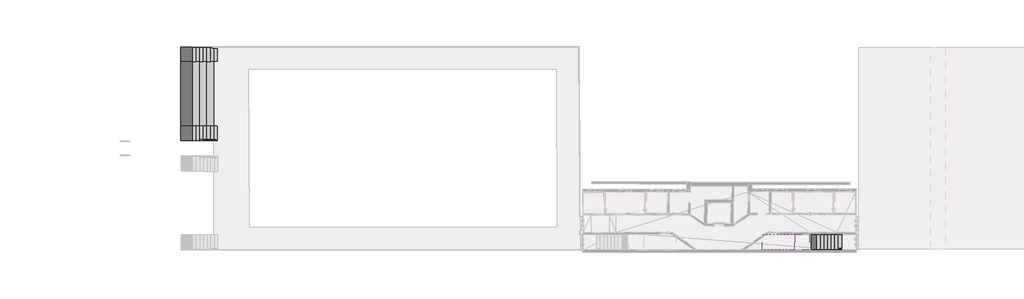
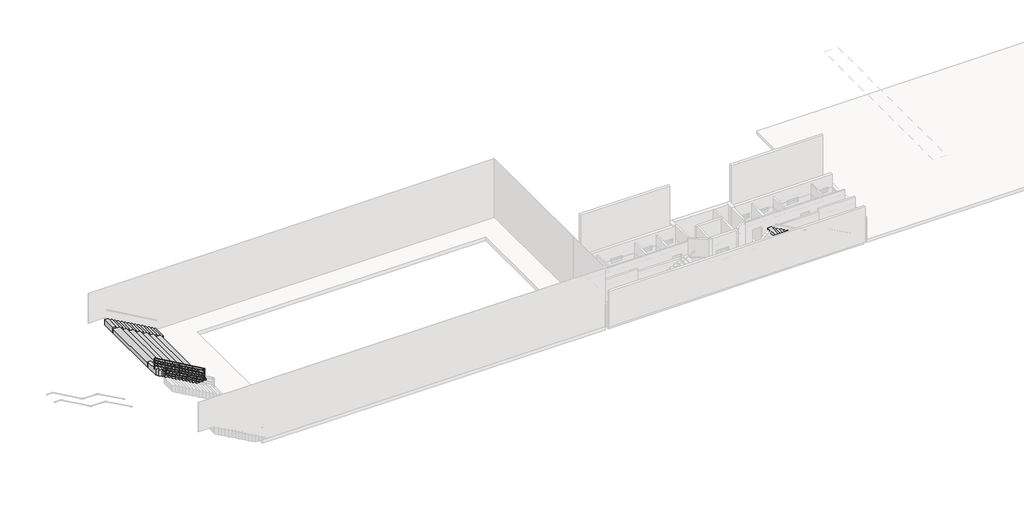
# One storey, part 4 of 6: 5 stair flights, 1 railing, 1 slab.
"""IFC4 building model written with IfcOpenShell, lengths in millimetres."""

from ifc_helpers import new_model, si_unit, frame, origin, place, context, project, spatial, circle_curve, ellipse_curve, faceted_brep, element, save
from ifc_brep_helpers import plane_surface, cylinder_surface, advanced_brep

model = new_model("IFC4")

# Units and contexts
model_context = context("Model", 3, world=origin())
ifc_project = project(units=[si_unit("LENGTHUNIT", "METRE", prefix="MILLI")], contexts=[model_context])

# Site, building, storey
site = spatial("IfcSite", under=ifc_project)
building = spatial("IfcBuilding", under=site)
storey = spatial("IfcBuildingStorey", under=building, Elevation=-9747.0673671)

# Railing
placement = place(None, origin())
element("IfcRailing", 1, at=placement, inside=storey, context=model_context, shape_type="AdvancedBrep", body=[
    advanced_brep(
    [(-42016.8289315, -31459.4277158, -8646.7812797), (-42017.1659378, -31499.4262961, -8646.7812797), (-46394.6493128, -31422.5425901, -6170.0), (-46394.986319, -31462.5411704, -6170.0), (-46467.6011319, -31421.9279379, -6170.0), (-46467.9381381, -31461.9265182, -6170.0)],
    [
        (0, 1, ellipse_curve(frame((-42016.9974346, -31479.427006, -8646.7812797), z_axis=(0.9999645077492113, -0.008425155302877114, 0.0), x_axis=(0.0, 0.0, -1.0)), 22.9787549, 20.0)),
        (1, 0, ellipse_curve(frame((-42016.9974346, -31479.427006, -8646.7812797), z_axis=(0.9999645077492113, -0.008425155302877114, 0.0), x_axis=(0.0, 0.0, -1.0)), 22.9787549, 20.0)),
        (0, 2),
        (2, 3, ellipse_curve(frame((-46394.8178159, -31442.5418803, -6170.0), z_axis=(0.9670151014632606, -0.008147541584651485, -0.2545887097027794), x_axis=(-0.2545796737764464, 0.0021449494176308784, -0.9670494242239503)), 20.6814662, 20.0)),
        (3, 1),
        (3, 2, ellipse_curve(frame((-46394.8178159, -31442.5418803, -6170.0), z_axis=(0.9670151014632606, -0.008147541584651485, -0.2545887097027794), x_axis=(-0.2545796737764464, 0.0021449494176308784, -0.9670494242239503)), 20.6814662, 20.0)),
        (4, 5, circle_curve(frame((-46467.769635, -31441.927228, -6170.0), z_axis=(-0.9999645077492112, 0.008425155302890286, 0.0), x_axis=(-0.008425155302890286, -0.9999645077492112, 0.0)), 20.0)),
        (5, 4, circle_curve(frame((-46467.769635, -31441.927228, -6170.0), z_axis=(-0.9999645077492112, 0.008425155302890286, 0.0), x_axis=(-0.008425155302890286, -0.9999645077492112, 0.0)), 20.0)),
        (2, 4),
        (5, 3),
    ],
    [
        plane_surface(frame((-42016.9974346, -31479.427006, -8646.7812797), z_axis=(0.9999645077492113, -0.008425155302877114, 0.0), x_axis=(0.008425155302877114, 0.9999645077492113, 0.0))),
        cylinder_surface(frame((-42016.9974346, -31479.427006, -8646.7812797), z_axis=(0.870338286422611, -0.007332995493665536, -0.49239973026398287), x_axis=(-0.008425155302877114, -0.9999645077492113, 0.0)), 20.0),
        plane_surface(frame((-46467.769635, -31441.927228, -6170.0), z_axis=(-0.9999645077492112, 0.008425155302890284, 0.0), x_axis=(0.008425155302890284, 0.9999645077492112, 0.0))),
        cylinder_surface(frame((-46394.8178159, -31442.5418803, -6170.0), z_axis=(0.9999645077492112, -0.008425155302890286, 0.0), x_axis=(-0.008425155302890286, -0.9999645077492112, 0.0)), 20.0),
    ],
    [
        (0, [[1, 2]]),
        (1, [[-1, 3, 4, 5]]),
        (1, [[-2, -5, 6, -3]]),
        (2, [[7, 8]]),
        (3, [[-4, 9, -8, 10]]),
        (3, [[-6, -10, -7, -9]]),
    ],
),
    advanced_brep(
    [(-42016.8289315, -31459.4277158, -8846.7812797), (-42017.1659378, -31499.4262961, -8846.7812797), (-46394.6493128, -31422.5425901, -6370.0), (-46394.986319, -31462.5411704, -6370.0), (-46467.6011319, -31421.9279379, -6370.0), (-46467.9381381, -31461.9265182, -6370.0)],
    [
        (0, 1, ellipse_curve(frame((-42016.9974346, -31479.427006, -8846.7812797), z_axis=(0.9999645077492113, -0.008425155302877114, 0.0), x_axis=(0.0, 0.0, -1.0)), 22.9787549, 20.0)),
        (1, 0, ellipse_curve(frame((-42016.9974346, -31479.427006, -8846.7812797), z_axis=(0.9999645077492113, -0.008425155302877114, 0.0), x_axis=(0.0, 0.0, -1.0)), 22.9787549, 20.0)),
        (0, 2),
        (2, 3, ellipse_curve(frame((-46394.8178159, -31442.5418803, -6370.0), z_axis=(0.9670151014632606, -0.008147541584651485, -0.2545887097027794), x_axis=(-0.2545796737764464, 0.0021449494176308784, -0.9670494242239503)), 20.6814662, 20.0)),
        (3, 1),
        (3, 2, ellipse_curve(frame((-46394.8178159, -31442.5418803, -6370.0), z_axis=(0.9670151014632606, -0.008147541584651485, -0.2545887097027794), x_axis=(-0.2545796737764464, 0.0021449494176308784, -0.9670494242239503)), 20.6814662, 20.0)),
        (4, 5, circle_curve(frame((-46467.769635, -31441.927228, -6370.0), z_axis=(-0.9999645077492112, 0.008425155302890286, 0.0), x_axis=(-0.008425155302890286, -0.9999645077492112, 0.0)), 20.0)),
        (5, 4, circle_curve(frame((-46467.769635, -31441.927228, -6370.0), z_axis=(-0.9999645077492112, 0.008425155302890286, 0.0), x_axis=(-0.008425155302890286, -0.9999645077492112, 0.0)), 20.0)),
        (2, 4),
        (5, 3),
    ],
    [
        plane_surface(frame((-42016.9974346, -31479.427006, -8846.7812797), z_axis=(0.9999645077492113, -0.008425155302877114, 0.0), x_axis=(0.008425155302877114, 0.9999645077492113, 0.0))),
        cylinder_surface(frame((-42016.9974346, -31479.427006, -8846.7812797), z_axis=(0.870338286422611, -0.007332995493665536, -0.49239973026398287), x_axis=(-0.008425155302877114, -0.9999645077492113, 0.0)), 20.0),
        plane_surface(frame((-46467.769635, -31441.927228, -6370.0), z_axis=(-0.9999645077492112, 0.008425155302890284, 0.0), x_axis=(0.008425155302890284, 0.9999645077492112, 0.0))),
        cylinder_surface(frame((-46394.8178159, -31442.5418803, -6370.0), z_axis=(0.9999645077492112, -0.008425155302890286, 0.0), x_axis=(-0.008425155302890286, -0.9999645077492112, 0.0)), 20.0),
    ],
    [
        (0, [[1, 2]]),
        (1, [[-1, 3, 4, 5]]),
        (1, [[-2, -5, 6, -3]]),
        (2, [[7, 8]]),
        (3, [[-4, 9, -8, 10]]),
        (3, [[-6, -10, -7, -9]]),
    ],
),
    advanced_brep(
    [(-42016.8289315, -31459.4277158, -9096.7812797), (-42017.1659378, -31499.4262961, -9096.7812797), (-46394.6493128, -31422.5425901, -6620.0), (-46394.986319, -31462.5411704, -6620.0), (-46467.6011319, -31421.9279379, -6620.0), (-46467.9381381, -31461.9265182, -6620.0)],
    [
        (0, 1, ellipse_curve(frame((-42016.9974346, -31479.427006, -9096.7812797), z_axis=(0.9999645077492113, -0.008425155302877114, 0.0), x_axis=(0.0, 0.0, -1.0)), 22.9787549, 20.0)),
        (1, 0, ellipse_curve(frame((-42016.9974346, -31479.427006, -9096.7812797), z_axis=(0.9999645077492113, -0.008425155302877114, 0.0), x_axis=(0.0, 0.0, -1.0)), 22.9787549, 20.0)),
        (0, 2),
        (2, 3, ellipse_curve(frame((-46394.8178159, -31442.5418803, -6620.0), z_axis=(0.9670151014632606, -0.008147541584651485, -0.2545887097027794), x_axis=(-0.2545796737764464, 0.0021449494176308784, -0.9670494242239503)), 20.6814662, 20.0)),
        (3, 1),
        (3, 2, ellipse_curve(frame((-46394.8178159, -31442.5418803, -6620.0), z_axis=(0.9670151014632606, -0.008147541584651485, -0.2545887097027794), x_axis=(-0.2545796737764464, 0.0021449494176308784, -0.9670494242239503)), 20.6814662, 20.0)),
        (4, 5, circle_curve(frame((-46467.769635, -31441.927228, -6620.0), z_axis=(-0.9999645077492112, 0.008425155302890286, 0.0), x_axis=(-0.008425155302890286, -0.9999645077492112, 0.0)), 20.0)),
        (5, 4, circle_curve(frame((-46467.769635, -31441.927228, -6620.0), z_axis=(-0.9999645077492112, 0.008425155302890286, 0.0), x_axis=(-0.008425155302890286, -0.9999645077492112, 0.0)), 20.0)),
        (2, 4),
        (5, 3),
    ],
    [
        plane_surface(frame((-42016.9974346, -31479.427006, -9096.7812797), z_axis=(0.9999645077492113, -0.008425155302877114, 0.0), x_axis=(0.008425155302877114, 0.9999645077492113, 0.0))),
        cylinder_surface(frame((-42016.9974346, -31479.427006, -9096.7812797), z_axis=(0.870338286422611, -0.007332995493665536, -0.49239973026398287), x_axis=(-0.008425155302877114, -0.9999645077492113, 0.0)), 20.0),
        plane_surface(frame((-46467.769635, -31441.927228, -6620.0), z_axis=(-0.9999645077492112, 0.008425155302890284, 0.0), x_axis=(0.008425155302890284, 0.9999645077492112, 0.0))),
        cylinder_surface(frame((-46394.8178159, -31442.5418803, -6620.0), z_axis=(0.9999645077492112, -0.008425155302890286, 0.0), x_axis=(-0.008425155302890286, -0.9999645077492112, 0.0)), 20.0),
    ],
    [
        (0, [[1, 2]]),
        (1, [[-1, 3, 4, 5]]),
        (1, [[-2, -5, 6, -3]]),
        (2, [[7, 8]]),
        (3, [[-4, 9, -8, 10]]),
        (3, [[-6, -10, -7, -9]]),
    ],
),
    advanced_brep(
    [(-42016.8289315, -31459.4277158, -9316.7812797), (-42017.1659378, -31499.4262961, -9316.7812797), (-46394.6493128, -31422.5425901, -6840.0), (-46394.986319, -31462.5411704, -6840.0), (-46467.6011319, -31421.9279379, -6840.0), (-46467.9381381, -31461.9265182, -6840.0)],
    [
        (0, 1, ellipse_curve(frame((-42016.9974346, -31479.427006, -9316.7812797), z_axis=(0.9999645077492113, -0.008425155302877114, 0.0), x_axis=(0.0, 0.0, -1.0)), 22.9787549, 20.0)),
        (1, 0, ellipse_curve(frame((-42016.9974346, -31479.427006, -9316.7812797), z_axis=(0.9999645077492113, -0.008425155302877114, 0.0), x_axis=(0.0, 0.0, -1.0)), 22.9787549, 20.0)),
        (0, 2),
        (2, 3, ellipse_curve(frame((-46394.8178159, -31442.5418803, -6840.0), z_axis=(0.9670151014632606, -0.008147541584651485, -0.2545887097027794), x_axis=(-0.2545796737764464, 0.0021449494176308784, -0.9670494242239503)), 20.6814662, 20.0)),
        (3, 1),
        (3, 2, ellipse_curve(frame((-46394.8178159, -31442.5418803, -6840.0), z_axis=(0.9670151014632606, -0.008147541584651485, -0.2545887097027794), x_axis=(-0.2545796737764464, 0.0021449494176308784, -0.9670494242239503)), 20.6814662, 20.0)),
        (4, 5, circle_curve(frame((-46467.769635, -31441.927228, -6840.0), z_axis=(-0.9999645077492112, 0.008425155302890286, 0.0), x_axis=(-0.008425155302890286, -0.9999645077492112, 0.0)), 20.0)),
        (5, 4, circle_curve(frame((-46467.769635, -31441.927228, -6840.0), z_axis=(-0.9999645077492112, 0.008425155302890286, 0.0), x_axis=(-0.008425155302890286, -0.9999645077492112, 0.0)), 20.0)),
        (2, 4),
        (5, 3),
    ],
    [
        plane_surface(frame((-42016.9974346, -31479.427006, -9316.7812797), z_axis=(0.9999645077492113, -0.008425155302877114, 0.0), x_axis=(0.008425155302877114, 0.9999645077492113, 0.0))),
        cylinder_surface(frame((-42016.9974346, -31479.427006, -9316.7812797), z_axis=(0.870338286422611, -0.007332995493665536, -0.49239973026398287), x_axis=(-0.008425155302877114, -0.9999645077492113, 0.0)), 20.0),
        plane_surface(frame((-46467.769635, -31441.927228, -6840.0), z_axis=(-0.9999645077492112, 0.008425155302890284, 0.0), x_axis=(0.008425155302890284, 0.9999645077492112, 0.0))),
        cylinder_surface(frame((-46394.8178159, -31442.5418803, -6840.0), z_axis=(0.9999645077492112, -0.008425155302890286, 0.0), x_axis=(-0.008425155302890286, -0.9999645077492112, 0.0)), 20.0),
    ],
    [
        (0, [[1, 2]]),
        (1, [[-1, 3, 4, 5]]),
        (1, [[-2, -5, 6, -3]]),
        (2, [[7, 8]]),
        (3, [[-4, 9, -8, 10]]),
        (3, [[-6, -10, -7, -9]]),
    ],
),
    advanced_brep(
    [(-44242.5519754, -31480.6689856, -7410.732904), (-44262.3754034, -31460.5086764, -7399.4223701), (-44242.2150943, -31440.6852485, -7410.732904), (-44242.2150943, -31440.6852485, -8483.5336835), (-44262.3754034, -31460.5086764, -8483.5336835), (-44242.5519754, -31480.6689856, -8483.5336835), (-44222.3916663, -31460.8455576, -8483.5336835), (-44222.3916663, -31460.8455576, -7422.0434379)],
    [
        (0, 1, ellipse_curve(frame((-44242.3835348, -31460.677117, -7410.732904), z_axis=(-0.4923822538892644, 0.004148544198568736, -0.8703691777837497), x_axis=(-0.870338286422613, 0.007332995493665393, 0.49239973026397926)), 22.9702276, 19.9925781)),
        (1, 2, ellipse_curve(frame((-44242.3835348, -31460.677117, -7410.732904), z_axis=(-0.4923822538892644, 0.004148544198568736, -0.8703691777837497), x_axis=(-0.870338286422613, 0.007332995493665393, 0.49239973026397926)), 22.9702276, 19.9925781)),
        (2, 3),
        (3, 4, circle_curve(frame((-44242.3835348, -31460.677117, -8483.5336835), z_axis=(0.0, 0.0, 1.0), x_axis=(0.008425155302876932, 0.9999645077492113, 0.0)), 19.9925781)),
        (4, 5, circle_curve(frame((-44242.3835348, -31460.677117, -8483.5336835), z_axis=(0.0, 0.0, 1.0), x_axis=(0.008425155302876932, 0.9999645077492113, 0.0)), 19.9925781)),
        (5, 0),
        (5, 6, circle_curve(frame((-44242.3835348, -31460.677117, -8483.5336835), z_axis=(0.0, 0.0, 1.0), x_axis=(0.008425155302876932, 0.9999645077492113, 0.0)), 19.9925781)),
        (6, 3, circle_curve(frame((-44242.3835348, -31460.677117, -8483.5336835), z_axis=(0.0, 0.0, 1.0), x_axis=(0.008425155302876932, 0.9999645077492113, 0.0)), 19.9925781)),
        (2, 7, ellipse_curve(frame((-44242.3835348, -31460.677117, -7410.732904), z_axis=(-0.4923822538892644, 0.004148544198568736, -0.8703691777837497), x_axis=(-0.870338286422613, 0.007332995493665393, 0.49239973026397926)), 22.9702276, 19.9925781)),
        (7, 0, ellipse_curve(frame((-44242.3835348, -31460.677117, -7410.732904), z_axis=(-0.4923822538892644, 0.004148544198568736, -0.8703691777837497), x_axis=(-0.870338286422613, 0.007332995493665393, 0.49239973026397926)), 22.9702276, 19.9925781)),
    ],
    [
        cylinder_surface(frame((-44242.3835348, -31460.677117, -8712.1336835), z_axis=(0.0, 0.0, 1.0), x_axis=(0.008425155302876932, 0.9999645077492113, 0.0)), 19.9925781),
        plane_surface(frame((-44262.2069628, -31440.5168079, -7399.4223701), z_axis=(0.4923822538892644, -0.004148544198568736, 0.8703691777837497), x_axis=(-0.008425155302876932, -0.9999645077492113, 0.0))),
        plane_surface(frame((-44222.2232257, -31440.853689, -8483.5336835), z_axis=(0.0, 0.0, -1.0), x_axis=(-0.008425155302876932, -0.9999645077492113, 0.0))),
    ],
    [
        (0, [[1, 2, 3, 4, 5, 6]]),
        (0, [[7, 8, -3, 9, 10, -6]]),
        (1, [[-10, -9, -2, -1]]),
        (2, [[-4, -8, -7, -5]]),
    ],
),
    advanced_brep(
    [(-46467.9380756, -31461.9190966, -6190.0), (-46487.7615036, -31441.7587875, -6190.0), (-46467.6011944, -31421.9353595, -6190.0), (-46467.6011944, -31421.9353595, -7120.0), (-46487.7615036, -31441.7587875, -7120.0), (-46467.9380756, -31461.9190966, -7120.0), (-46447.7777665, -31442.0956686, -7120.0), (-46447.7777665, -31442.0956686, -6190.0)],
    [
        (0, 1, circle_curve(frame((-46467.769635, -31441.927228, -6190.0), z_axis=(0.0, 0.0, -1.0), x_axis=(0.008425155302876932, 0.9999645077492113, 0.0)), 19.9925781)),
        (1, 2, circle_curve(frame((-46467.769635, -31441.927228, -6190.0), z_axis=(0.0, 0.0, -1.0), x_axis=(0.008425155302876932, 0.9999645077492113, 0.0)), 19.9925781)),
        (2, 3),
        (3, 4, circle_curve(frame((-46467.769635, -31441.927228, -7120.0), z_axis=(0.0, 0.0, 1.0), x_axis=(0.008425155302876932, 0.9999645077492113, 0.0)), 19.9925781)),
        (4, 5, circle_curve(frame((-46467.769635, -31441.927228, -7120.0), z_axis=(0.0, 0.0, 1.0), x_axis=(0.008425155302876932, 0.9999645077492113, 0.0)), 19.9925781)),
        (5, 0),
        (5, 6, circle_curve(frame((-46467.769635, -31441.927228, -7120.0), z_axis=(0.0, 0.0, 1.0), x_axis=(0.008425155302876932, 0.9999645077492113, 0.0)), 19.9925781)),
        (6, 3, circle_curve(frame((-46467.769635, -31441.927228, -7120.0), z_axis=(0.0, 0.0, 1.0), x_axis=(0.008425155302876932, 0.9999645077492113, 0.0)), 19.9925781)),
        (2, 7, circle_curve(frame((-46467.769635, -31441.927228, -6190.0), z_axis=(0.0, 0.0, -1.0), x_axis=(0.008425155302876932, 0.9999645077492113, 0.0)), 19.9925781)),
        (7, 0, circle_curve(frame((-46467.769635, -31441.927228, -6190.0), z_axis=(0.0, 0.0, -1.0), x_axis=(0.008425155302876932, 0.9999645077492113, 0.0)), 19.9925781)),
    ],
    [
        cylinder_surface(frame((-46467.769635, -31441.927228, -7348.6), z_axis=(0.0, 0.0, 1.0), x_axis=(0.008425155302876932, 0.9999645077492113, 0.0)), 19.9925781),
        plane_surface(frame((-46487.593063, -31421.7669189, -6190.0), z_axis=(0.0, 0.0, 1.0), x_axis=(-0.008425155302876932, -0.9999645077492113, 0.0))),
        plane_surface(frame((-46447.6093259, -31422.1038001, -7120.0), z_axis=(0.0, 0.0, -1.0), x_axis=(-0.008425155302876932, -0.9999645077492113, 0.0))),
    ],
    [
        (0, [[1, 2, 3, 4, 5, 6]]),
        (0, [[7, 8, -3, 9, 10, -6]]),
        (1, [[-10, -9, -2, -1]]),
        (2, [[-4, -8, -7, -5]]),
    ],
),
    advanced_brep(
    [(-42017.1658752, -31499.4188745, -8669.7600346), (-42036.9893032, -31479.2585654, -8658.4495008), (-42016.8289941, -31459.4351374, -8669.7600346), (-42016.8289941, -31459.4351374, -9676.6256566), (-42036.9893032, -31479.2585654, -9676.6256566), (-42017.1658752, -31499.4188745, -9676.6256566), (-41997.0055661, -31479.5954466, -9676.6256566), (-41997.0055661, -31479.5954466, -8681.0705685)],
    [
        (0, 1, ellipse_curve(frame((-42016.9974346, -31479.427006, -8669.7600346), z_axis=(-0.4923822538892667, 0.004148544198568755, -0.8703691777837484), x_axis=(-0.8703382864226117, 0.007332995493665382, 0.4923997302639814)), 22.9702276, 19.9925781)),
        (1, 2, ellipse_curve(frame((-42016.9974346, -31479.427006, -8669.7600346), z_axis=(-0.4923822538892667, 0.004148544198568755, -0.8703691777837484), x_axis=(-0.8703382864226117, 0.007332995493665382, 0.4923997302639814)), 22.9702276, 19.9925781)),
        (2, 3),
        (3, 4, circle_curve(frame((-42016.9974346, -31479.427006, -9676.6256566), z_axis=(0.0, 0.0, 1.0), x_axis=(0.008425155302876932, 0.9999645077492113, 0.0)), 19.9925781)),
        (4, 5, circle_curve(frame((-42016.9974346, -31479.427006, -9676.6256566), z_axis=(0.0, 0.0, 1.0), x_axis=(0.008425155302876932, 0.9999645077492113, 0.0)), 19.9925781)),
        (5, 0),
        (5, 6, circle_curve(frame((-42016.9974346, -31479.427006, -9676.6256566), z_axis=(0.0, 0.0, 1.0), x_axis=(0.008425155302876932, 0.9999645077492113, 0.0)), 19.9925781)),
        (6, 3, circle_curve(frame((-42016.9974346, -31479.427006, -9676.6256566), z_axis=(0.0, 0.0, 1.0), x_axis=(0.008425155302876932, 0.9999645077492113, 0.0)), 19.9925781)),
        (2, 7, ellipse_curve(frame((-42016.9974346, -31479.427006, -8669.7600346), z_axis=(-0.4923822538892667, 0.004148544198568755, -0.8703691777837484), x_axis=(-0.8703382864226117, 0.007332995493665382, 0.4923997302639814)), 22.9702276, 19.9925781)),
        (7, 0, ellipse_curve(frame((-42016.9974346, -31479.427006, -8669.7600346), z_axis=(-0.4923822538892667, 0.004148544198568755, -0.8703691777837484), x_axis=(-0.8703382864226117, 0.007332995493665382, 0.4923997302639814)), 22.9702276, 19.9925781)),
    ],
    [
        cylinder_surface(frame((-42016.9974346, -31479.427006, -9905.2256566), z_axis=(0.0, 0.0, 1.0), x_axis=(0.008425155302876932, 0.9999645077492113, 0.0)), 19.9925781),
        plane_surface(frame((-42036.8208626, -31459.2666969, -8658.4495008), z_axis=(0.4923822538892667, -0.004148544198568755, 0.8703691777837484), x_axis=(-0.008425155302876932, -0.9999645077492113, 0.0))),
        plane_surface(frame((-41996.8371255, -31459.603578, -9676.6256566), z_axis=(0.0, 0.0, -1.0), x_axis=(-0.008425155302876932, -0.9999645077492113, 0.0))),
    ],
    [
        (0, [[1, 2, 3, 4, 5, 6]]),
        (0, [[7, 8, -3, 9, 10, -6]]),
        (1, [[-10, -9, -2, -1]]),
        (2, [[-4, -8, -7, -5]]),
    ],
),
])

# Slab
element("IfcSlab", 2, ObjectType="7\" Thickness", at=placement, inside=storey, context=model_context, shape_type="Brep", body=[
    faceted_brep([(7522.6606615, -40659.4297965, -8059.0336835), (7503.6106615, -40659.4297965, -8059.0336835), (7503.6106615, -39356.6543082, -8059.0336835), (7522.6606615, -39356.6543082, -8059.0336835), (7522.6606615, -39355.6050098, -8059.0336835), (6302.6606615, -39355.6050098, -8059.0336835), (6283.6106615, -39355.6050098, -8059.0336835), (6283.6106615, -40663.515591, -8059.0336835), (6302.6606615, -40663.515591, -8059.0336835), (7522.6606615, -40663.515591, -8059.0336835), (6302.6606615, -40663.515591, -8236.8336835), (7522.6606615, -40663.515591, -8236.8336835), (7111.8522755, -39356.6543082, -8236.8336835), (7111.8522755, -40659.4297965, -8236.8336835), (7503.6106615, -40659.4297965, -8236.8336835), (7522.6606615, -40659.4297965, -8236.8336835), (6283.6106615, -40663.515591, -8236.8336835), (6283.6106615, -39355.6050098, -8236.8336835), (6302.6606615, -39355.6050098, -8236.8336835), (7522.6606615, -39355.6050098, -8236.8336835), (7522.6606615, -39356.6543082, -8236.8336835), (7503.6106615, -39356.6543082, -8236.8336835), (7503.6106615, -39356.6543082, -8453.3498835), (7503.6106615, -40659.4297965, -8453.3498835), (7503.6106615, -40659.4297965, -8224.8370519), (7503.6106615, -39356.6543082, -8224.8370519)], [[[0, 1, 2, 3, 4, 5, 6, 7, 8, 9]], [[9, 8, 10, 11]], [[12, 13, 14, 15, 11, 10, 16, 17, 18, 19, 20, 21]], [[13, 12, 22, 23]], [[12, 21, 22]], [[14, 13, 23]], [[4, 3, 20, 19]], [[6, 5, 18, 17]], [[8, 7, 16, 10]], [[1, 0, 15, 14, 24]], [[2, 1, 24, 14, 23, 22, 21, 25]], [[3, 2, 25, 21, 20]], [[5, 4, 19, 18]], [[7, 6, 17, 16]], [[0, 9, 11, 15]]]),
])

# Stair flights
element("IfcStairFlight", 3, at=placement, inside=storey, context=model_context, shape_type="Brep", body=[
    faceted_brep([(-42196.6034837, -31527.9155181, -9576.6256566), (-41896.4736613, -31530.4442482, -9576.6256566), (-41896.4736613, -30308.583977, -9576.6256566), (-42196.6034837, -30307.1142729, -9576.6256566), (-42196.6034837, -31527.9155181, -9747.0673671), (-41896.4736613, -31530.4442482, -9747.0673671), (-41896.4736613, -30308.583977, -9747.0673671), (-42196.6034837, -30307.1142729, -9747.0673671), (-42492.7236613, -31525.4205711, -9406.1839462), (-42196.6034837, -31527.9155181, -9406.1839462), (-42196.6034837, -30307.1142729, -9406.1839462), (-42492.7236613, -30305.6642036, -9406.1839462), (-42492.7236613, -31525.4205711, -9747.0673671), (-42492.7236613, -30305.6642036, -9747.0673671), (-42804.1034837, -31522.7970546, -9235.7422357), (-42492.7236613, -31525.4205711, -9235.7422357), (-42492.7236613, -30305.6642036, -9235.7422357), (-42804.1034837, -30304.1394094, -9235.7422357), (-42804.1034837, -31522.7970546, -9747.0673671), (-42804.1034837, -30304.1394094, -9747.0673671), (-43091.4736613, -31520.3758303, -9065.3005253), (-42804.1034837, -31522.7970546, -9065.3005253), (-42804.1034837, -30304.1394094, -9065.3005253), (-43091.4736613, -30302.7321879, -9065.3005253), (-43091.4736613, -31520.3758303, -9587.8763654), (-42810.1671044, -31522.7459658, -9747.0673671), (-42810.1671044, -30304.1097165, -9747.0673671), (-43091.4736613, -30302.7321879, -9587.8763654), (-43402.7938569, -31517.7528162, -8894.8588149), (-43091.4736613, -31520.3758303, -8894.8588149), (-43091.4736613, -30302.7321879, -8894.8588149), (-43402.7938569, -30301.2076857, -8894.8588149), (-43402.7938569, -31517.7528162, -9411.7006861), (-43402.7938569, -30301.2076857, -9411.7006861), (-43693.9736613, -31515.299494, -8724.4171044), (-43402.7938569, -31517.7528162, -8724.4171044), (-43402.7938569, -30301.2076857, -8724.4171044), (-43693.9736613, -30299.7818089, -8724.4171044), (-43693.9736613, -31515.299494, -9246.9224269), (-43693.9736613, -30299.7818089, -9246.9224269), (-44002.7938569, -31512.6975436, -8553.975394), (-43693.9736613, -31515.299494, -8553.975394), (-43693.9736613, -30299.7818089, -8553.975394), (-44002.7938569, -30298.2695489, -8553.975394), (-44002.7938569, -31512.6975436, -9072.1614942), (-44002.7938569, -30298.2695489, -9072.1614942), (-44298.9736613, -31510.2020942, -8383.5336835), (-44002.7938569, -31512.6975436, -8383.5336835), (-44002.7938569, -30298.2695489, -8383.5336835), (-44298.9736613, -30296.8191876, -8383.5336835), (-44298.9736613, -31510.2020942, -8904.5537418), (-44298.9736613, -30296.8191876, -8904.5537418), (-44600.2938569, -31507.6633346, -8213.0919731), (-44298.9736613, -31510.2020942, -8213.0919731), (-44298.9736613, -30296.8191876, -8213.0919731), (-44600.2938569, -30295.3436544, -8213.0919731), (-44600.2938569, -31507.6633346, -8734.037049), (-44600.2938569, -30295.3436544, -8734.037049), (-44918.9736613, -31504.9783125, -8042.6502626), (-44600.2938569, -31507.6633346, -8042.6502626), (-44600.2938569, -30295.3436544, -8042.6502626), (-44918.9736613, -30293.7831129, -8042.6502626), (-44918.9736613, -31504.9783125, -8553.6965769), (-44918.9736613, -30293.7831129, -8553.6965769), (-45215.2938569, -31502.4816802, -7872.2085522), (-44918.9736613, -31504.9783125, -7872.2085522), (-44918.9736613, -30293.7831129, -7872.2085522), (-45215.2938569, -30292.3320642, -7872.2085522), (-45215.2938569, -31502.4816802, -8386.0093774), (-45215.2938569, -30292.3320642, -8386.0093774), (-45523.9736613, -31499.8809126, -7701.7668418), (-45215.2938569, -31502.4816802, -7701.7668418), (-45215.2938569, -30292.3320642, -7701.7668418), (-45523.9736613, -30290.8204917, -7701.7668418), (-45523.9736613, -31499.8809126, -8211.3278918), (-45523.9736613, -30290.8204917, -8211.3278918), (-45805.2938569, -31497.5106621, -7531.3251313), (-45523.9736613, -31499.8809126, -7531.3251313), (-45523.9736613, -30290.8204917, -7531.3251313), (-45805.2938569, -30289.4428963, -7531.3251313), (-45805.2938569, -31497.5106621, -8052.1291721), (-45805.2938569, -30289.4428963, -8052.1291721), (-46121.4736613, -31494.8467036, -7360.8834209), (-45805.2938569, -31497.5106621, -7360.8834209), (-45805.2938569, -30289.4428963, -7360.8834209), (-46121.4736613, -30287.8945971, -7360.8834209), (-46121.4736613, -31494.8467036, -7873.2034466), (-46121.4736613, -30287.8945971, -7873.2034466), (-46395.2390736, -31492.5401056, -7190.4417104), (-46121.4736613, -31494.8467036, -7190.4417104), (-46121.4736613, -30287.8945971, -7190.4417104), (-46396.5890632, -30286.547386, -7190.4417104), (-46395.2390736, -31492.5401056, -7718.2799685), (-46396.5890632, -30286.547386, -7717.5160113)], [[[0, 1, 2, 3]], [[1, 0, 4, 5]], [[2, 1, 5, 6]], [[3, 2, 6, 7]], [[8, 9, 10, 11]], [[4, 0, 9, 8, 12]], [[0, 3, 10, 9]], [[3, 7, 13, 11, 10]], [[14, 15, 16, 17]], [[12, 8, 15, 14, 18]], [[8, 11, 16, 15]], [[11, 13, 19, 17, 16]], [[20, 21, 22, 23]], [[18, 14, 21, 20, 24, 25]], [[14, 17, 22, 21]], [[17, 19, 26, 27, 23, 22]], [[28, 29, 30, 31]], [[29, 28, 32, 24, 20]], [[20, 23, 30, 29]], [[31, 30, 23, 27, 33]], [[34, 35, 36, 37]], [[35, 34, 38, 32, 28]], [[28, 31, 36, 35]], [[37, 36, 31, 33, 39]], [[40, 41, 42, 43]], [[41, 40, 44, 38, 34]], [[34, 37, 42, 41]], [[43, 42, 37, 39, 45]], [[46, 47, 48, 49]], [[47, 46, 50, 44, 40]], [[40, 43, 48, 47]], [[49, 48, 43, 45, 51]], [[52, 53, 54, 55]], [[53, 52, 56, 50, 46]], [[46, 49, 54, 53]], [[55, 54, 49, 51, 57]], [[58, 59, 60, 61]], [[59, 58, 62, 56, 52]], [[52, 55, 60, 59]], [[61, 60, 55, 57, 63]], [[64, 65, 66, 67]], [[65, 64, 68, 62, 58]], [[58, 61, 66, 65]], [[67, 66, 61, 63, 69]], [[70, 71, 72, 73]], [[71, 70, 74, 68, 64]], [[64, 67, 72, 71]], [[73, 72, 67, 69, 75]], [[76, 77, 78, 79]], [[77, 76, 80, 74, 70]], [[70, 73, 78, 77]], [[79, 78, 73, 75, 81]], [[82, 83, 84, 85]], [[83, 82, 86, 80, 76]], [[76, 79, 84, 83]], [[85, 84, 79, 81, 87]], [[88, 89, 90, 91]], [[89, 88, 92, 86, 82]], [[82, 85, 90, 89]], [[91, 90, 85, 87, 93]], [[88, 91, 93, 92]], [[5, 4, 12, 18, 25, 26, 19, 13, 7, 6]], [[26, 25, 24, 32, 38, 44, 50, 56, 62, 68, 74, 80, 86, 92, 93, 87, 81, 75, 69, 63, 57, 51, 45, 39, 33, 27]]]),
])
element("IfcStairFlight", 4, at=placement, inside=storey, context=model_context, shape_type="Brep", body=[
    faceted_brep([(-42804.1534837, -30304.1722586, -9406.1839462), (-42196.6534837, -30307.1527185, -9406.1839462), (-42196.6534837, -24901.8356336, -9406.1839462), (-42804.1534837, -24903.7469641, -9406.1839462), (-42804.1534837, -30304.1722586, -9747.0673671), (-42196.6534837, -30307.1527185, -9747.0673671), (-42196.6534837, -24901.8356336, -9747.0673671), (-42804.1534837, -24903.7469641, -9747.0673671), (-43402.8438569, -30301.2350197, -9065.3005253), (-42804.1534837, -30304.1722586, -9065.3005253), (-42804.1534837, -24903.7469641, -9065.3005253), (-43402.8438569, -24905.6305775, -9065.3005253), (-43402.8438569, -30301.2350197, -9409.5258739), (-42806.0404569, -30304.1630009, -9747.0673671), (-42806.0404569, -24903.7529009, -9747.0673671), (-43402.8438569, -24905.6305775, -9409.5258739), (-44002.8438569, -30298.2913556, -8724.4171044), (-43402.8438569, -30301.2350197, -8724.4171044), (-43402.8438569, -24905.6305775, -8724.4171044), (-44002.8438569, -24907.5183113, -8724.4171044), (-44002.8438569, -30298.2913556, -9070.1764401), (-44002.8438569, -24907.5183113, -9070.1764401), (-44600.3438569, -30295.3599568, -8383.5336835), (-44002.8438569, -30298.2913556, -8383.5336835), (-44002.8438569, -24907.5183113, -8383.5336835), (-44600.3438569, -24909.3981796, -8383.5336835), (-44600.3438569, -30295.3599568, -8732.2409622), (-44600.3438569, -24909.3981796, -8732.2409622), (-45215.3438569, -30292.3427011, -8042.6502626), (-44600.3438569, -30295.3599568, -8042.6502626), (-44600.3438569, -24909.3981796, -8042.6502626), (-45215.3438569, -24911.3331068, -8042.6502626), (-45215.3438569, -30292.3427011, -8384.4077925), (-45215.3438569, -24911.3331068, -8384.4077925), (-45805.3438569, -30289.4480981, -7701.7668418), (-45215.3438569, -30292.3427011, -7701.7668418), (-45215.3438569, -24911.3331068, -7701.7668418), (-45805.3438569, -24913.1893784, -7701.7668418), (-45805.3438569, -30289.4480981, -8050.7141826), (-45805.3438569, -24913.1893784, -8050.7141826), (-46396.5890632, -30286.547386, -7360.8834209), (-45805.3438569, -30289.4480981, -7360.8834209), (-45805.3438569, -24913.1893784, -7360.8834209), (-46402.6019024, -24915.0684854, -7360.8834209), (-46396.5890632, -30286.547386, -7716.3163059), (-46402.6019024, -24915.0684854, -7712.91555)], [[[0, 1, 2, 3]], [[1, 0, 4, 5]], [[2, 1, 5, 6]], [[3, 2, 6, 7]], [[8, 9, 10, 11]], [[4, 0, 9, 8, 12, 13]], [[0, 3, 10, 9]], [[3, 7, 14, 15, 11, 10]], [[16, 17, 18, 19]], [[17, 16, 20, 12, 8]], [[8, 11, 18, 17]], [[19, 18, 11, 15, 21]], [[22, 23, 24, 25]], [[23, 22, 26, 20, 16]], [[16, 19, 24, 23]], [[25, 24, 19, 21, 27]], [[28, 29, 30, 31]], [[29, 28, 32, 26, 22]], [[22, 25, 30, 29]], [[31, 30, 25, 27, 33]], [[34, 35, 36, 37]], [[35, 34, 38, 32, 28]], [[28, 31, 36, 35]], [[37, 36, 31, 33, 39]], [[40, 41, 42, 43]], [[41, 40, 44, 38, 34]], [[34, 37, 42, 41]], [[43, 42, 37, 39, 45]], [[40, 43, 45, 44]], [[5, 4, 13, 14, 7, 6]], [[14, 13, 12, 20, 26, 32, 38, 44, 45, 39, 33, 27, 21, 15]]]),
])
element("IfcStairFlight", 5, at=placement, inside=storey, context=model_context, shape_type="Brep", body=[
    faceted_brep([(-42196.6534837, -24901.8356336, -9576.6256566), (-41903.5745909, -24900.913542, -9576.6256566), (-41903.5745909, -23690.952299, -9576.6256566), (-42196.6534837, -23691.3132387, -9576.6256566), (-42196.6534837, -24901.8356336, -9747.0673671), (-41903.5745909, -24900.913542, -9747.0673671), (-41903.5745909, -23690.952299, -9747.0673671), (-42196.6534837, -23691.3132387, -9747.0673671), (-42499.8245909, -24902.7894775, -9406.1839462), (-42196.6534837, -24901.8356336, -9406.1839462), (-42196.6534837, -23691.3132387, -9406.1839462), (-42499.8245909, -23691.6866074, -9406.1839462), (-42499.8245909, -24902.7894775, -9747.0673671), (-42499.8245909, -23691.6866074, -9747.0673671), (-42804.1534837, -24903.7469641, -9235.7422357), (-42499.8245909, -24902.7894775, -9235.7422357), (-42499.8245909, -23691.6866074, -9235.7422357), (-42804.1534837, -23692.061402, -9235.7422357), (-42804.1534837, -24903.7469641, -9747.0673671), (-42804.1534837, -23692.061402, -9747.0673671), (-43098.5745909, -24904.6732785, -9065.3005253), (-42804.1534837, -24903.7469641, -9065.3005253), (-42804.1534837, -23692.061402, -9065.3005253), (-43098.5745909, -23692.4239948, -9065.3005253), (-43098.5745909, -24904.6732785, -9587.9082955), (-42817.3081535, -24903.7883516, -9747.0673671), (-42817.3081535, -23692.0776026, -9747.0673671), (-43098.5745909, -23692.4239948, -9587.9082955), (-43402.8438569, -24905.6305775, -8894.8588149), (-43098.5745909, -24904.6732785, -8894.8588149), (-43098.5745909, -23692.4239948, -8894.8588149), (-43402.8438569, -23692.7987159, -8894.8588149), (-43402.8438569, -24905.6305775, -9415.7327088), (-43402.8438569, -23692.7987159, -9415.7327088), (-43701.0745909, -24906.5688779, -8724.4171044), (-43402.8438569, -24905.6305775, -8724.4171044), (-43402.8438569, -23692.7987159, -8724.4171044), (-43701.0745909, -23693.1660004, -8724.4171044), (-43701.0745909, -24906.5688779, -9246.9741211), (-43701.0745909, -23693.1660004, -9246.9741211), (-44002.8438569, -24907.5183113, -8553.975394), (-43701.0745909, -24906.5688779, -8553.975394), (-43701.0745909, -23693.1660004, -8553.975394), (-44002.8438569, -23693.5376427, -8553.975394), (-44002.8438569, -24907.5183113, -9076.213199), (-44002.8438569, -23693.5376427, -9076.213199), (-44306.0745909, -24908.4723429, -8383.5336835), (-44002.8438569, -24907.5183113, -8383.5336835), (-44002.8438569, -23693.5376427, -8383.5336835), (-44306.0745909, -23693.9110849, -8383.5336835), (-44306.0745909, -24908.4723429, -8904.625282), (-44306.0745909, -23693.9110849, -8904.625282), (-44600.3438569, -24909.3981796, -8213.0919731), (-44306.0745909, -24908.4723429, -8213.0919731), (-44306.0745909, -23693.9110849, -8213.0919731), (-44600.3438569, -23694.2734906, -8213.0919731), (-44600.3438569, -24909.3981796, -8738.1083538), (-44600.3438569, -23694.2734906, -8738.1083538), (-44926.0745909, -24910.4230011, -8042.6502626), (-44600.3438569, -24909.3981796, -8042.6502626), (-44600.3438569, -23694.2734906, -8042.6502626), (-44926.0745909, -23694.6746425, -8042.6502626), (-44926.0745909, -24910.4230011, -8553.7884553), (-44926.0745909, -23694.6746425, -8553.7884553), (-45215.3438569, -24911.3331068, -7872.2085522), (-44926.0745909, -24910.4230011, -7872.2085522), (-44926.0745909, -23694.6746425, -7872.2085522), (-45215.3438569, -23695.0308905, -7872.2085522), (-45215.3438569, -24911.3331068, -8390.1008563), (-45215.3438569, -23695.0308905, -8390.1008563), (-45531.0745909, -24912.3264661, -7701.7668418), (-45215.3438569, -24911.3331068, -7701.7668418), (-45215.3438569, -23695.0308905, -7701.7668418), (-45531.0745909, -23695.419727, -7701.7668418), (-45531.0745909, -24912.3264661, -8211.4396162), (-45531.0745909, -23695.419727, -8211.4396162), (-45805.3438569, -24913.1893784, -7531.3251313), (-45531.0745909, -24912.3264661, -7531.3251313), (-45531.0745909, -23695.419727, -7531.3251313), (-45805.3438569, -23695.7575018, -7531.3251313), (-45805.3438569, -24913.1893784, -8056.240005), (-45805.3438569, -23695.7575018, -8056.240005), (-46128.5745909, -24914.2063343, -7360.8834209), (-45805.3438569, -24913.1893784, -7360.8834209), (-45805.3438569, -23695.7575018, -7360.8834209), (-46128.5745909, -23696.1555749, -7360.8834209), (-46128.5745909, -24914.2063343, -7873.3347711), (-46128.5745909, -23696.1555749, -7873.3347711), (-46402.6019024, -24915.0684854, -7190.4417104), (-46128.5745909, -24914.2063343, -7190.4417104), (-46128.5745909, -23696.1555749, -7190.4417104), (-46403.9659751, -23696.4947317, -7190.4417104), (-46402.6019024, -24915.0684854, -7718.2720736), (-46403.9659751, -23696.4947317, -7717.5001914)], [[[0, 1, 2, 3]], [[1, 0, 4, 5]], [[2, 1, 5, 6]], [[3, 2, 6, 7]], [[8, 9, 10, 11]], [[4, 0, 9, 8, 12]], [[0, 3, 10, 9]], [[3, 7, 13, 11, 10]], [[14, 15, 16, 17]], [[12, 8, 15, 14, 18]], [[8, 11, 16, 15]], [[11, 13, 19, 17, 16]], [[20, 21, 22, 23]], [[18, 14, 21, 20, 24, 25]], [[14, 17, 22, 21]], [[17, 19, 26, 27, 23, 22]], [[28, 29, 30, 31]], [[29, 28, 32, 24, 20]], [[20, 23, 30, 29]], [[31, 30, 23, 27, 33]], [[34, 35, 36, 37]], [[35, 34, 38, 32, 28]], [[28, 31, 36, 35]], [[37, 36, 31, 33, 39]], [[40, 41, 42, 43]], [[41, 40, 44, 38, 34]], [[34, 37, 42, 41]], [[43, 42, 37, 39, 45]], [[46, 47, 48, 49]], [[47, 46, 50, 44, 40]], [[40, 43, 48, 47]], [[49, 48, 43, 45, 51]], [[52, 53, 54, 55]], [[53, 52, 56, 50, 46]], [[46, 49, 54, 53]], [[55, 54, 49, 51, 57]], [[58, 59, 60, 61]], [[59, 58, 62, 56, 52]], [[52, 55, 60, 59]], [[61, 60, 55, 57, 63]], [[64, 65, 66, 67]], [[65, 64, 68, 62, 58]], [[58, 61, 66, 65]], [[67, 66, 61, 63, 69]], [[70, 71, 72, 73]], [[71, 70, 74, 68, 64]], [[64, 67, 72, 71]], [[73, 72, 67, 69, 75]], [[76, 77, 78, 79]], [[77, 76, 80, 74, 70]], [[70, 73, 78, 77]], [[79, 78, 73, 75, 81]], [[82, 83, 84, 85]], [[83, 82, 86, 80, 76]], [[76, 79, 84, 83]], [[85, 84, 79, 81, 87]], [[88, 89, 90, 91]], [[89, 88, 92, 86, 82]], [[82, 85, 90, 89]], [[91, 90, 85, 87, 93]], [[88, 91, 93, 92]], [[5, 4, 12, 18, 25, 26, 19, 13, 7, 6]], [[26, 25, 24, 32, 38, 44, 50, 56, 62, 68, 74, 80, 86, 92, 93, 87, 81, 75, 69, 63, 57, 51, 45, 39, 33, 27]]]),
])
element("IfcStairFlight", 6, at=placement, inside=storey, context=model_context, shape_type="Brep", body=[
    faceted_brep([(9903.6106615, -40659.4297965, -9551.2639987), (10203.6106615, -40659.4297965, -9551.2639987), (10203.6106615, -39356.6543082, -9551.2639987), (9903.6106615, -39356.6543082, -9551.2639987), (9903.6106615, -40659.4297965, -9717.0673671), (10203.6106615, -40659.4297965, -9717.0673671), (10203.6106615, -39356.6543082, -9717.0673671), (9903.6106615, -39356.6543082, -9717.0673671), (9603.6106615, -40659.4297965, -9385.4606304), (9903.6106615, -40659.4297965, -9385.4606304), (9903.6106615, -39356.6543082, -9385.4606304), (9603.6106615, -39356.6543082, -9385.4606304), (9603.6106615, -40659.4297965, -9613.973462), (9790.1459041, -40659.4297965, -9717.0673671), (9790.1459041, -39356.6543082, -9717.0673671), (9603.6106615, -39356.6543082, -9613.973462), (9303.6106615, -40659.4297965, -9219.657262), (9603.6106615, -40659.4297965, -9219.657262), (9603.6106615, -39356.6543082, -9219.657262), (9303.6106615, -39356.6543082, -9219.657262), (9303.6106615, -40659.4297965, -9448.1700936), (9303.6106615, -39356.6543082, -9448.1700936), (9003.6106615, -40659.4297965, -9053.8538937), (9303.6106615, -40659.4297965, -9053.8538937), (9303.6106615, -39356.6543082, -9053.8538937), (9003.6106615, -39356.6543082, -9053.8538937), (9003.6106615, -40659.4297965, -9282.3667252), (9003.6106615, -39356.6543082, -9282.3667252), (8703.6106615, -40659.4297965, -8888.0505253), (9003.6106615, -40659.4297965, -8888.0505253), (9003.6106615, -39356.6543082, -8888.0505253), (8703.6106615, -39356.6543082, -8888.0505253), (8703.6106615, -40659.4297965, -9116.5633569), (8703.6106615, -39356.6543082, -9116.5633569), (8403.6106615, -40659.4297965, -8722.2471569), (8703.6106615, -40659.4297965, -8722.2471569), (8703.6106615, -39356.6543082, -8722.2471569), (8403.6106615, -39356.6543082, -8722.2471569), (8403.6106615, -40659.4297965, -8950.7599885), (8403.6106615, -39356.6543082, -8950.7599885), (8103.6106615, -40659.4297965, -8556.4437886), (8403.6106615, -40659.4297965, -8556.4437886), (8403.6106615, -39356.6543082, -8556.4437886), (8103.6106615, -39356.6543082, -8556.4437886), (8103.6106615, -40659.4297965, -8784.9566202), (8103.6106615, -39356.6543082, -8784.9566202), (7803.6106615, -40659.4297965, -8390.6404202), (8103.6106615, -40659.4297965, -8390.6404202), (8103.6106615, -39356.6543082, -8390.6404202), (7803.6106615, -39356.6543082, -8390.6404202), (7803.6106615, -40659.4297965, -8619.1532518), (7803.6106615, -39356.6543082, -8619.1532518), (7503.6106615, -40659.4297965, -8453.3498835), (7503.6106615, -39356.6543082, -8453.3498835), (7803.6106615, -40659.4297965, -8224.8370519), (7803.6106615, -39356.6543082, -8224.8370519), (7522.6606615, -39356.6543082, -8224.8370519), (7503.6106615, -39356.6543082, -8224.8370519), (7503.6106615, -40659.4297965, -8224.8370519), (7522.6606615, -40659.4297965, -8224.8370519), (7503.6106615, -40659.4297965, -8236.8336835), (7503.6106615, -39356.6543082, -8236.8336835)], [[[0, 1, 2, 3]], [[1, 0, 4, 5]], [[2, 1, 5, 6]], [[3, 2, 6, 7]], [[8, 9, 10, 11]], [[4, 0, 9, 8, 12, 13]], [[0, 3, 10, 9]], [[3, 7, 14, 15, 11, 10]], [[16, 17, 18, 19]], [[17, 16, 20, 12, 8]], [[8, 11, 18, 17]], [[19, 18, 11, 15, 21]], [[22, 23, 24, 25]], [[23, 22, 26, 20, 16]], [[16, 19, 24, 23]], [[25, 24, 19, 21, 27]], [[28, 29, 30, 31]], [[29, 28, 32, 26, 22]], [[22, 25, 30, 29]], [[31, 30, 25, 27, 33]], [[34, 35, 36, 37]], [[35, 34, 38, 32, 28]], [[28, 31, 36, 35]], [[37, 36, 31, 33, 39]], [[40, 41, 42, 43]], [[41, 40, 44, 38, 34]], [[34, 37, 42, 41]], [[43, 42, 37, 39, 45]], [[46, 47, 48, 49]], [[47, 46, 50, 44, 40]], [[40, 43, 48, 47]], [[49, 48, 43, 45, 51]], [[5, 4, 13, 14, 7, 6]], [[14, 13, 12, 20, 26, 32, 38, 44, 50, 52, 53, 51, 45, 39, 33, 27, 21, 15]], [[54, 55, 56, 57, 58, 59]], [[46, 54, 59, 58, 60, 52, 50]], [[46, 49, 55, 54]], [[55, 49, 51, 53, 61, 57, 56]], [[58, 57, 61, 53, 52, 60]]]),
])
element("IfcStairFlight", 7, at=placement, inside=storey, context=model_context, shape_type="Brep", body=[
    faceted_brep([(6283.6106615, -40663.515591, -7893.2303152), (6283.6106615, -39355.6050098, -7893.2303152), (6191.8522755, -39355.6050098, -7893.2303152), (5983.6106615, -39355.6050098, -7893.2303152), (5983.6106615, -40663.515591, -7893.2303152), (6191.8522755, -40663.515591, -7893.2303152), (5983.6106615, -40663.515591, -8121.7431468), (6191.8522755, -40663.515591, -8236.8336835), (6283.6106615, -40663.515591, -8236.8336835), (6283.6106615, -40663.515591, -8059.0336835), (6283.6106615, -39355.6050098, -8236.8336835), (6283.6106615, -39355.6050098, -8059.0336835), (6191.8522755, -39355.6050098, -8236.8336835), (5983.6106615, -39355.6050098, -8121.7431468), (5683.6106615, -40663.515591, -7727.4269468), (5983.6106615, -40663.515591, -7727.4269468), (5983.6106615, -39355.6050098, -7727.4269468), (5683.6106615, -39355.6050098, -7727.4269468), (5683.6106615, -40663.515591, -7955.9397784), (5683.6106615, -39355.6050098, -7955.9397784), (5383.6106615, -40663.515591, -7561.6235785), (5683.6106615, -40663.515591, -7561.6235785), (5683.6106615, -39355.6050098, -7561.6235785), (5383.6106615, -39355.6050098, -7561.6235785), (5383.6106615, -40663.515591, -7790.1364101), (5383.6106615, -39355.6050098, -7790.1364101), (5083.6106615, -40663.515591, -7395.8202101), (5383.6106615, -40663.515591, -7395.8202101), (5383.6106615, -39355.6050098, -7395.8202101), (5083.6106615, -39355.6050098, -7395.8202101), (5083.6106615, -40663.515591, -7624.3330417), (5083.6106615, -39355.6050098, -7624.3330417), (4783.6106615, -40663.515591, -7230.0168418), (5083.6106615, -40663.515591, -7230.0168418), (5083.6106615, -39355.6050098, -7230.0168418), (4783.6106615, -39355.6050098, -7230.0168418), (4783.6106615, -40663.515591, -7458.5296734), (4783.6106615, -39355.6050098, -7458.5296734), (4483.6106615, -40663.515591, -7064.2134734), (4783.6106615, -40663.515591, -7064.2134734), (4783.6106615, -39355.6050098, -7064.2134734), (4483.6106615, -39355.6050098, -7064.2134734), (4483.6106615, -40663.515591, -7292.726305), (4483.6106615, -39355.6050098, -7292.726305), (4183.6106615, -40663.515591, -6898.4101051), (4483.6106615, -40663.515591, -6898.4101051), (4483.6106615, -39355.6050098, -6898.4101051), (4183.6106615, -39355.6050098, -6898.4101051), (4183.6106615, -40663.515591, -7126.9229367), (4183.6106615, -39355.6050098, -7126.9229367), (3883.6106615, -40663.515591, -6732.6067367), (4183.6106615, -40663.515591, -6732.6067367), (4183.6106615, -39355.6050098, -6732.6067367), (3883.6106615, -39355.6050098, -6732.6067367), (3883.6106615, -40663.515591, -6961.1195683), (3883.6106615, -39355.6050098, -6961.1195683), (3602.6606615, -40663.515591, -6566.8033684), (3883.6106615, -40663.515591, -6566.8033684), (3883.6106615, -39355.6050098, -6566.8033684), (3602.6606615, -39355.6050098, -6566.8033684), (3602.6606615, -40663.515591, -6805.8447138), (3602.6606615, -39355.6050098, -6805.8447138)], [[[0, 1, 2, 3, 4, 5]], [[4, 6, 7, 8, 9, 0, 5]], [[1, 0, 9, 8, 10, 11]], [[1, 11, 10, 12, 13, 3, 2]], [[14, 15, 16, 17]], [[15, 14, 18, 6, 4]], [[16, 15, 4, 3]], [[17, 16, 3, 13, 19]], [[20, 21, 22, 23]], [[21, 20, 24, 18, 14]], [[22, 21, 14, 17]], [[23, 22, 17, 19, 25]], [[26, 27, 28, 29]], [[27, 26, 30, 24, 20]], [[28, 27, 20, 23]], [[29, 28, 23, 25, 31]], [[32, 33, 34, 35]], [[33, 32, 36, 30, 26]], [[34, 33, 26, 29]], [[35, 34, 29, 31, 37]], [[38, 39, 40, 41]], [[39, 38, 42, 36, 32]], [[40, 39, 32, 35]], [[41, 40, 35, 37, 43]], [[44, 45, 46, 47]], [[45, 44, 48, 42, 38]], [[46, 45, 38, 41]], [[47, 46, 41, 43, 49]], [[50, 51, 52, 53]], [[51, 50, 54, 48, 44]], [[52, 51, 44, 47]], [[53, 52, 47, 49, 55]], [[56, 57, 58, 59]], [[57, 56, 60, 54, 50]], [[58, 57, 50, 53]], [[59, 58, 53, 55, 61]], [[56, 59, 61, 60]], [[12, 7, 6, 18, 24, 30, 36, 42, 48, 54, 60, 61, 55, 49, 43, 37, 31, 25, 19, 13]], [[7, 12, 10, 8]]]),
])

save(model, "model.ifc")
